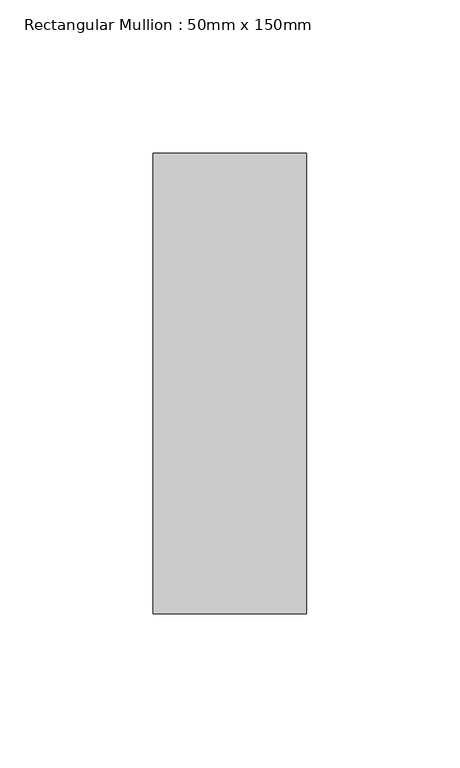
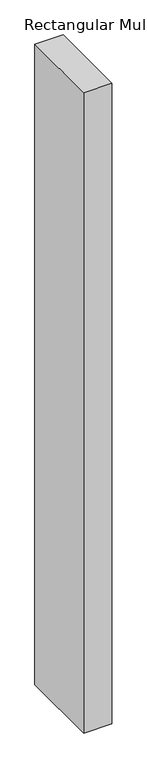
"""IFC4 building model written with IfcOpenShell, lengths in millimetres: member geometry, Rectangular Mullion : 50mm x 150mm."""

from ifc_helpers import new_model, si_unit, frame, origin, place, context, project, spatial, polyline, outline, extrude, source, transform, mapped, element, save


def rectangular_mullion_50mm_x_150mm_1cdccd77(model_context):
    return source(origin(), model_context, "Body", "SweptSolid", [
        extrude(outline(polyline([(25.0, 75.0), (25.0, -75.0), (-25.0, -75.0), (-25.0, 75.0), (25.0, 75.0)])), frame((0.0, 0.0, -1199.9999998), z_axis=(0.0, 0.0, 1.0), x_axis=(1.0, 0.0, 0.0)), (0.0, 0.0, 1.0), 1199.9999998),
    ])


if __name__ == "__main__":
    model = new_model("IFC4")
    model_context = context("Model", 3, world=origin())
    ifc_project = project(units=[si_unit("LENGTHUNIT", "METRE", prefix="MILLI")], contexts=[model_context])
    site = spatial("IfcSite", under=ifc_project)
    building = spatial("IfcBuilding", under=site)
    placement = place(None, origin())
    rectangular_mullion_50mm_x_150mm_shape = rectangular_mullion_50mm_x_150mm_1cdccd77(model_context)
    element("IfcMember", 1, ObjectType="Rectangular Mullion : 50mm x 150mm", at=placement, inside=building, context=model_context, shape_type="MappedRepresentation", body=[
        mapped(rectangular_mullion_50mm_x_150mm_shape, transform((0.0, 0.0, 0.0), x_axis=(1.0, 0.0, 0.0), y_axis=(0.0, 1.0, 0.0), z_axis=(0.0, 0.0, 1.0))),
    ])
    save(model, "model.ifc")
